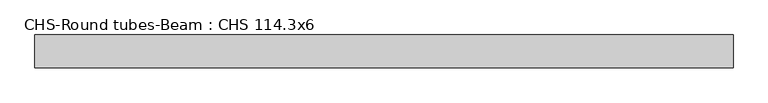
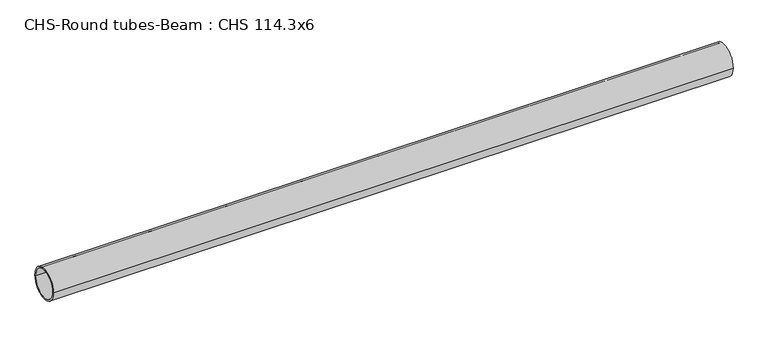
"""IFC4 building model written with IfcOpenShell, lengths in millimetres: beam geometry, CHS-Round tubes-Beam : CHS 114.3x6."""

from ifc_helpers import new_model, si_unit, point, frame, origin, origin_2d, place, context, project, spatial, circle_curve, trimmed, segment, composite_curve, outline, extrude, source, transform, mapped, element, save


def chs_round_tubes_beam_chs_114_3x6_419c92c9(model_context):
    return source(origin(), model_context, "Body", "SweptSolid", [
        extrude(outline(composite_curve([segment(trimmed(circle_curve(origin_2d(), 57.15), [point((57.15, 0.0))], [point((-57.15, 0.0))], False, "CARTESIAN"), True, "CONTINUOUS"), segment(trimmed(circle_curve(origin_2d(), 57.15), [point((-57.15, 0.0))], [point((57.15, 0.0))], False, "CARTESIAN"), True, "CONTINUOUS")], self_intersect=False), holes=[composite_curve([segment(trimmed(circle_curve(origin_2d(), 51.15), [point((51.15, 0.0))], [point((-51.15, 0.0))], True, "CARTESIAN"), True, "CONTINUOUS"), segment(trimmed(circle_curve(origin_2d(), 51.15), [point((-51.15, 0.0))], [point((51.15, 0.0))], True, "CARTESIAN"), True, "CONTINUOUS")], self_intersect=False)]), frame((-1200.0890717, 0.0, 0.0), z_axis=(1.0, 0.0, 0.0), x_axis=(0.0, 1.0, 0.0)), (0.0, 0.0, 1.0), 2438.7832284),
    ])


if __name__ == "__main__":
    model = new_model("IFC4")
    model_context = context("Model", 3, world=origin())
    ifc_project = project(units=[si_unit("LENGTHUNIT", "METRE", prefix="MILLI")], contexts=[model_context])
    site = spatial("IfcSite", under=ifc_project)
    building = spatial("IfcBuilding", under=site)
    placement = place(None, origin())
    chs_round_tubes_beam_chs_114_3x6_shape = chs_round_tubes_beam_chs_114_3x6_419c92c9(model_context)
    element("IfcBeam", 1, ObjectType="CHS-Round tubes-Beam : CHS 114.3x6", at=placement, inside=building, context=model_context, shape_type="MappedRepresentation", body=[
        mapped(chs_round_tubes_beam_chs_114_3x6_shape, transform((0.0, 0.0, 0.0), x_axis=(1.0, 0.0, 0.0), y_axis=(0.0, 1.0, 0.0), z_axis=(0.0, 0.0, 1.0))),
    ])
    save(model, "model.ifc")
